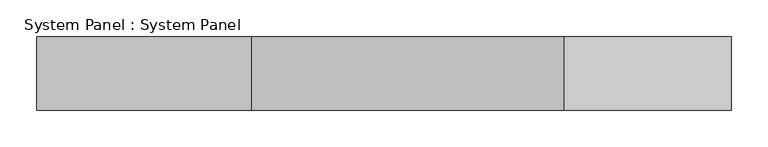
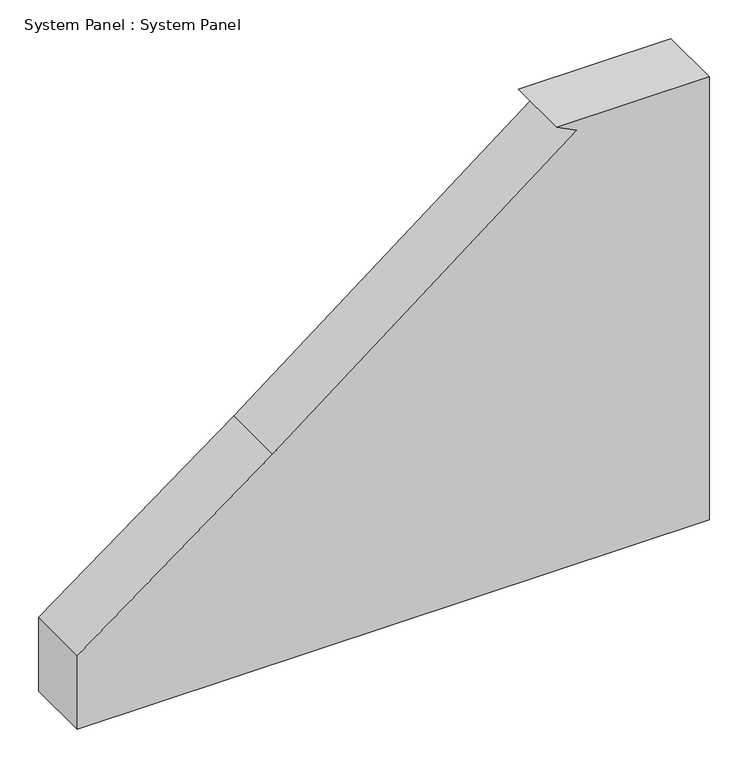
"""IFC4 building model written with IfcOpenShell, lengths in millimetres: plate geometry, System Panel : System Panel."""

from ifc_helpers import new_model, si_unit, point, frame, frame_2d, origin, place, context, project, spatial, polyline, circle_curve, trimmed, segment, composite_curve, outline, extrude, source, transform, mapped, element, save


def system_panel_system_panel_470a6208(model_context):
    return source(origin(), model_context, "Body", "SweptSolid", [
        extrude(outline(composite_curve([segment(polyline([(0.0, 473.1695549), (700.694024, 473.1695549), (700.694024, 245.2573272), (685.5264817, 275.0326282)]), True, "CONTINUOUS"), segment(trimmed(circle_curve(frame_2d((-10416.7523756, 8504.9036797)), 13819.9628563), [point((685.5264817, 275.0326282))], [point((332.9215013, -180.4797253))], False, "CARTESIAN"), True, "CONTINUOUS"), segment(trimmed(circle_curve(frame_2d((3610.2388382, -2828.4444856)), 4213.3746925), [point((332.9215013, -180.4797253))], [point((116.6437987, -473.1695549))], True, "CARTESIAN"), True, "CONTINUOUS"), segment(polyline([(116.6437987, -473.1695549), (0.0, -473.1695549), (0.0, 473.1695549)]), True, "CONTINUOUS")], self_intersect=False)), frame((0.0, -50.0, 0.0), z_axis=(0.0, 1.0, 0.0), x_axis=(0.0, 0.0, 1.0)), (0.0, 0.0, 1.0), 100.0),
    ])


if __name__ == "__main__":
    model = new_model("IFC4")
    model_context = context("Model", 3, world=origin())
    ifc_project = project(units=[si_unit("LENGTHUNIT", "METRE", prefix="MILLI")], contexts=[model_context])
    site = spatial("IfcSite", under=ifc_project)
    building = spatial("IfcBuilding", under=site)
    placement = place(None, origin())
    system_panel_system_panel_shape = system_panel_system_panel_470a6208(model_context)
    element("IfcPlate", 1, ObjectType="System Panel : System Panel", at=placement, inside=building, context=model_context, shape_type="MappedRepresentation", body=[
        mapped(system_panel_system_panel_shape, transform((0.0, 0.0, 0.0), x_axis=(1.0, 0.0, 0.0), y_axis=(0.0, 1.0, 0.0), z_axis=(0.0, 0.0, 1.0))),
    ])
    save(model, "model.ifc")
